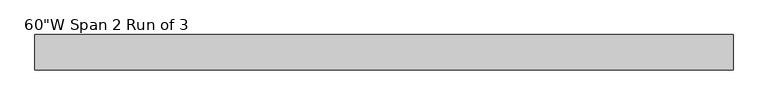
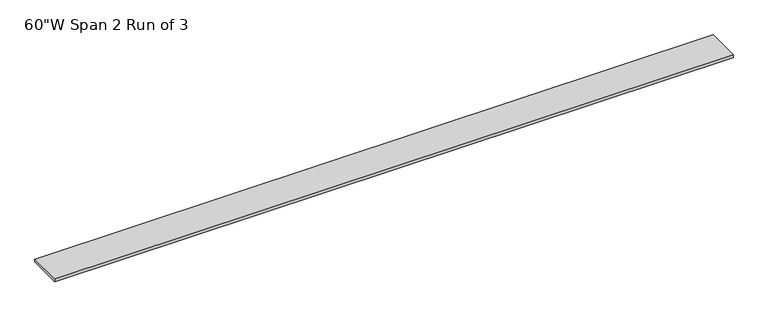
"""IFC4 building model written with IfcOpenShell, lengths in millimetres: furniture geometry."""

from ifc_helpers import new_model, si_unit, frame, origin, place, context, project, spatial, polyline, outline, extrude, source, transform, mapped, element, save


def furniture_c0440024(model_context):
    return source(origin(), model_context, "Body", "SweptSolid", [
        extrude(outline(polyline([(706.01205, 38.735), (706.01205, -38.735), (-817.98795, -38.735), (-817.98795, 38.735), (706.01205, 38.735)])), frame((0.0, 0.0, 1150.366), z_axis=(0.0, 0.0, 1.0), x_axis=(1.0, 0.0, 0.0)), (0.0, 0.0, 1.0), 6.858),
    ])


if __name__ == "__main__":
    model = new_model("IFC4")
    model_context = context("Model", 3, world=origin())
    ifc_project = project(units=[si_unit("LENGTHUNIT", "METRE", prefix="MILLI")], contexts=[model_context])
    site = spatial("IfcSite", under=ifc_project)
    building = spatial("IfcBuilding", under=site)
    placement = place(None, origin())
    furniture_shape = furniture_c0440024(model_context)
    element("IfcFurniture", 1, ObjectType="60\"W Span 2 Run of 3", at=placement, inside=building, context=model_context, shape_type="MappedRepresentation", body=[
        mapped(furniture_shape, transform((0.0, 0.0, 0.0), x_axis=(1.0, 0.0, 0.0), y_axis=(0.0, 1.0, 0.0), z_axis=(0.0, 0.0, 1.0))),
    ])
    save(model, "model.ifc")
